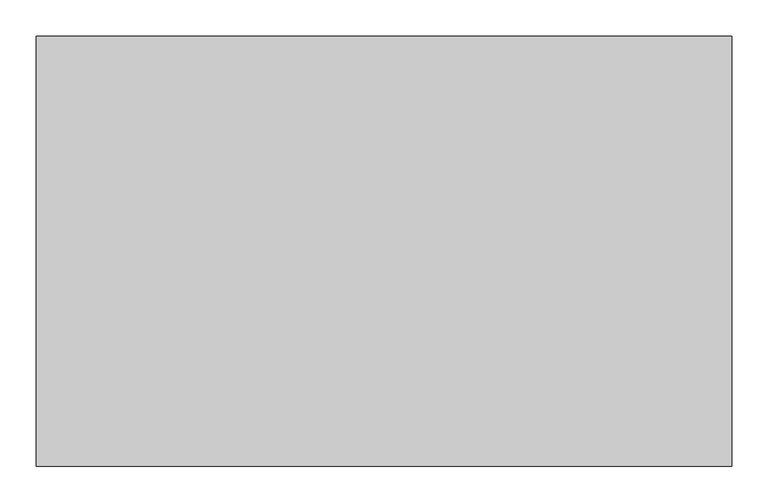
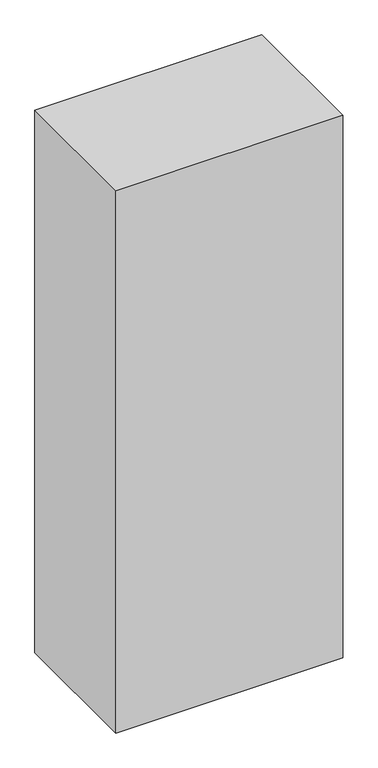
"""IFC4 building model written with IfcOpenShell, lengths in millimetres: proxy geometry."""

import ifcopenshell
import ifcopenshell.guid

model = None  # the IFC model being written
_history = None  # IfcOwnerHistory: only IFC2X3 demands one
_inside = {}  # id of a spatial element -> (the spatial element, [elements in it])
_under = {}  # id of a project, library or spatial element -> (it, [spatial elements below it])
_declared = {}  # id of a project -> (the project, [libraries it declares])
_typed = {}  # id of a type object -> (the type object, [elements of that type])
_made_of = {}  # id of a material, layer set ... -> (it, [elements and type objects made of it])


def new_model(schema):
    """Start an empty IFC model of exactly this schema.

    Asked for "IFC4X3", IfcOpenShell would pick the latest addendum, in which some entities
    have other attributes; the version numbers below select the first issue.
    IFC2X3 requires an IfcOwnerHistory on every rooted entity: one is made here for all.
    """
    global model, _history
    if schema == "IFC4X3":
        model = ifcopenshell.file(schema_version=(4, 3, 0, 0))
    else:
        model = ifcopenshell.file(schema=schema)
    _inside.clear()
    _under.clear()
    _declared.clear()
    _typed.clear()
    _made_of.clear()
    _history = None
    if model.schema == "IFC2X3":
        org = make("IfcOrganization", Name="unknown")
        user = make(
            "IfcPersonAndOrganization",
            ThePerson=make("IfcPerson", FamilyName="unknown"),
            TheOrganization=org,
        )
        app = make(
            "IfcApplication",
            ApplicationDeveloper=org,
            Version="unknown",
            ApplicationFullName="unknown",
            ApplicationIdentifier="unknown",
        )
        _history = make(
            "IfcOwnerHistory",
            OwningUser=user,
            OwningApplication=app,
            ChangeAction="ADDED",
            CreationDate=0,
        )
    return model


def make(cls, **values):
    """One entity of the class cls with the attributes given. An attribute that is None is left unset."""
    return model.create_entity(
        cls, **{name: value for name, value in values.items() if value is not None}
    )


def rooted(cls, **values):
    """An entity with a GlobalId (a new one), such as an element, a storey or a relation."""
    return make(cls, GlobalId=ifcopenshell.guid.new(), OwnerHistory=_history, **values)


def si_unit(unit_type, name, prefix=None):
    """IfcSIUnit, for example si_unit("LENGTHUNIT", "METRE", prefix="MILLI")."""
    return make("IfcSIUnit", UnitType=unit_type, Prefix=prefix, Name=name)


def assignment(units):
    """IfcUnitAssignment: the units of a project."""
    return None if units is None else make("IfcUnitAssignment", Units=units)


def point(xyz):
    """IfcCartesianPoint."""
    return None if xyz is None else make("IfcCartesianPoint", Coordinates=xyz)


def direction(xyz):
    """IfcDirection."""
    return None if xyz is None else make("IfcDirection", DirectionRatios=xyz)


def frame(location, z_axis=None, x_axis=None):
    """IfcAxis2Placement3D, a coordinate frame: its origin and axes. An axis left out is left unset."""
    return make(
        "IfcAxis2Placement3D",
        Location=point(location),
        Axis=direction(z_axis),
        RefDirection=direction(x_axis),
    )


def origin():
    """The frame at (0, 0, 0) with its axes left unset."""
    return frame((0.0, 0.0, 0.0))


def origin_with_axes():
    """The frame at (0, 0, 0) with the z axis (0, 0, 1) and the x axis (1, 0, 0) written out."""
    return frame((0.0, 0.0, 0.0), z_axis=(0.0, 0.0, 1.0), x_axis=(1.0, 0.0, 0.0))


def place(relative_to, where):
    """IfcLocalPlacement: puts the frame where relative to a parent placement (None: the world)."""
    return make(
        "IfcLocalPlacement", PlacementRelTo=relative_to, RelativePlacement=where
    )


def context(
    kind, dimensions, precision=None, world=None, true_north=None, identifier=None
):
    """IfcGeometricRepresentationContext, for example the 3D "Model" context."""
    return make(
        "IfcGeometricRepresentationContext",
        ContextIdentifier=identifier,
        ContextType=kind,
        CoordinateSpaceDimension=dimensions,
        Precision=precision,
        WorldCoordinateSystem=world,
        TrueNorth=true_north,
    )


def project(units=None, contexts=None):
    """IfcProject with its units and contexts."""
    return rooted(
        "IfcProject",
        Name="project",
        RepresentationContexts=contexts,
        UnitsInContext=assignment(units),
    )


def spatial(cls, under=None, at=None, **own):
    """A site, building, storey or space (cls), placed at a placement, below another one or the project."""
    s = rooted(cls, ObjectPlacement=at, **own)
    if under is not None:
        _under.setdefault(under.id(), (under, []))[1].append(s)
    return s


def polyline(points):
    """IfcPolyline through the points."""
    return make("IfcPolyline", Points=[point(p) for p in points])


def outline(outer, holes=None, kind="AREA"):
    """IfcArbitraryClosedProfileDef: a profile drawn as a closed curve; with holes, ...WithVoids."""
    if holes is None:
        return make("IfcArbitraryClosedProfileDef", ProfileType=kind, OuterCurve=outer)
    return make(
        "IfcArbitraryProfileDefWithVoids",
        ProfileType=kind,
        OuterCurve=outer,
        InnerCurves=holes,
    )


def extrude(swept, where, along, depth):
    """IfcExtrudedAreaSolid: the profile swept, set in the frame where, extruded along a direction by depth."""
    return make(
        "IfcExtrudedAreaSolid",
        SweptArea=swept,
        Position=where,
        ExtrudedDirection=direction(along),
        Depth=depth,
    )


def shape(context_of_items, identifier, shape_type, items):
    """IfcShapeRepresentation: the items that make up one representation, for example the "Body"."""
    return make(
        "IfcShapeRepresentation",
        ContextOfItems=context_of_items,
        RepresentationIdentifier=identifier,
        RepresentationType=shape_type,
        Items=items,
    )


def source(mapping_origin, context_of_items, identifier, shape_type, items):
    """IfcRepresentationMap: a shape defined once, which mapped items show again and again."""
    return make(
        "IfcRepresentationMap",
        MappingOrigin=mapping_origin,
        MappedRepresentation=shape(context_of_items, identifier, shape_type, items),
    )


def transform(
    local_origin,
    x_axis=None,
    y_axis=None,
    z_axis=None,
    scale=None,
    scale2=None,
    scale3=None,
    uniform=True,
):
    """IfcCartesianTransformationOperator3D, or its non-uniform kind. x_axis, y_axis, z_axis: its Axis1, 2, 3."""
    if uniform:
        return make(
            "IfcCartesianTransformationOperator3D",
            Axis1=direction(x_axis),
            Axis2=direction(y_axis),
            LocalOrigin=point(local_origin),
            Scale=scale,
            Axis3=direction(z_axis),
        )
    return make(
        "IfcCartesianTransformationOperator3DnonUniform",
        Axis1=direction(x_axis),
        Axis2=direction(y_axis),
        LocalOrigin=point(local_origin),
        Scale=scale,
        Axis3=direction(z_axis),
        Scale2=scale2,
        Scale3=scale3,
    )


def mapped(mapping_source, mapping_target):
    """IfcMappedItem: shows the shape of a source again, moved by a transform."""
    return make(
        "IfcMappedItem", MappingSource=mapping_source, MappingTarget=mapping_target
    )


def made_of(thing, what):
    """Note that an element or type object is made of a material, layer set ...; save() writes the relation."""
    if what is not None:
        _made_of.setdefault(what.id(), (what, []))[1].append(thing)
    return thing


def element(
    cls,
    number,
    at=None,
    inside=None,
    cuts=None,
    type_object=None,
    material=None,
    context=None,
    identifier="Body",
    shape_type=None,
    held_by="IfcProductDefinitionShape",
    body=None,
    shapes=None,
    **own,
):
    """One element of the class cls, such as IfcWall. Its Tag is "e" and its number.

    at: its placement. inside: the storey or other place that contains it. cuts: it is an
    opening in that element (IfcRelVoidsElement). A single representation is given by context,
    identifier, shape_type and body (its items); several are given by shapes. held_by: the class
    of the entity that holds the representations. save() writes the other relations.
    """
    e = rooted(cls, Tag="e%d" % number, ObjectPlacement=at, **own)
    if body is not None:
        shapes = [shape(context, identifier, shape_type, body)]
    if shapes is not None:
        e.Representation = make(held_by, Representations=shapes)
    if inside is not None:
        _inside.setdefault(inside.id(), (inside, []))[1].append(e)
    if cuts is not None:
        rooted(
            "IfcRelVoidsElement", RelatingBuildingElement=cuts, RelatedOpeningElement=e
        )
    if type_object is not None:
        _typed.setdefault(type_object.id(), (type_object, []))[1].append(e)
    return made_of(e, material)


def aggregate(whole, parts):
    """IfcRelAggregates: a whole, such as a stair, and the parts it consists of."""
    return rooted("IfcRelAggregates", RelatingObject=whole, RelatedObjects=parts)


def save(model, path):
    """Write the relations noted so far, then the file.

    IfcRelAggregates (storeys below a building ...), IfcRelContainedInSpatialStructure (elements
    in a storey), IfcRelDefinesByType, IfcRelAssociatesMaterial and IfcRelDeclares: one each for
    every whole, place, type object, material and project.
    """
    for whole, parts in _under.values():
        aggregate(whole, parts)
    for where, things in _inside.values():
        rooted(
            "IfcRelContainedInSpatialStructure",
            RelatedElements=things,
            RelatingStructure=where,
        )
    for kind, things in _typed.values():
        rooted("IfcRelDefinesByType", RelatedObjects=things, RelatingType=kind)
    for what, things in _made_of.values():
        rooted("IfcRelAssociatesMaterial", RelatedObjects=things, RelatingMaterial=what)
    for by, libraries in _declared.values():
        rooted("IfcRelDeclares", RelatingContext=by, RelatedDefinitions=libraries)
    model.write(path)


def generic_models_28941959(model_context):
    return source(origin(), model_context, "Body", "SweptSolid", [
        extrude(outline(polyline([(457.2, -84.1375), (457.2, -153.9875), (-457.2, -153.9875), (-457.2, -84.1375), (457.2, -84.1375)])), origin_with_axes(), (0.0, 0.0, 1.0), 2403.475),
        extrude(outline(polyline([(457.2, 34.925), (457.2, -34.925), (-457.2, -34.925), (-457.2, 34.925), (457.2, 34.925)])), origin_with_axes(), (0.0, 0.0, 1.0), 2403.475),
        extrude(outline(polyline([(457.2, 153.9875), (457.2, 84.1375), (-457.2, 84.1375), (-457.2, 153.9875), (457.2, 153.9875)])), origin_with_axes(), (0.0, 0.0, 1.0), 2403.475),
        extrude(outline(polyline([(457.2, -203.2), (457.2, -273.05), (-457.2, -273.05), (-457.2, -203.2), (457.2, -203.2)])), origin_with_axes(), (0.0, 0.0, 1.0), 2403.475),
        extrude(outline(polyline([(457.2, 273.05), (457.2, 203.2), (-457.2, 203.2), (-457.2, 273.05), (457.2, 273.05)])), origin_with_axes(), (0.0, 0.0, 1.0), 2403.475),
        extrude(outline(polyline([(482.6, 298.45), (482.6, -298.45), (-482.6, -298.45), (-482.6, 298.45), (482.6, 298.45)])), origin_with_axes(), (0.0, 0.0, 1.0), 2438.4),
    ])


if __name__ == "__main__":
    model = new_model("IFC4")
    model_context = context("Model", 3, world=origin())
    ifc_project = project(units=[si_unit("LENGTHUNIT", "METRE", prefix="MILLI")], contexts=[model_context])
    site = spatial("IfcSite", under=ifc_project)
    building = spatial("IfcBuilding", under=site)
    placement = place(None, origin())
    generic_models_shape = generic_models_28941959(model_context)
    element("IfcBuildingElementProxy", 1, Name="Generic Models", at=placement, inside=building, context=model_context, shape_type="MappedRepresentation", body=[
        mapped(generic_models_shape, transform((0.0, 0.0, 0.0), x_axis=(1.0, 0.0, 0.0), y_axis=(0.0, 1.0, 0.0), z_axis=(0.0, 0.0, 1.0))),
    ])
    save(model, "model.ifc")
